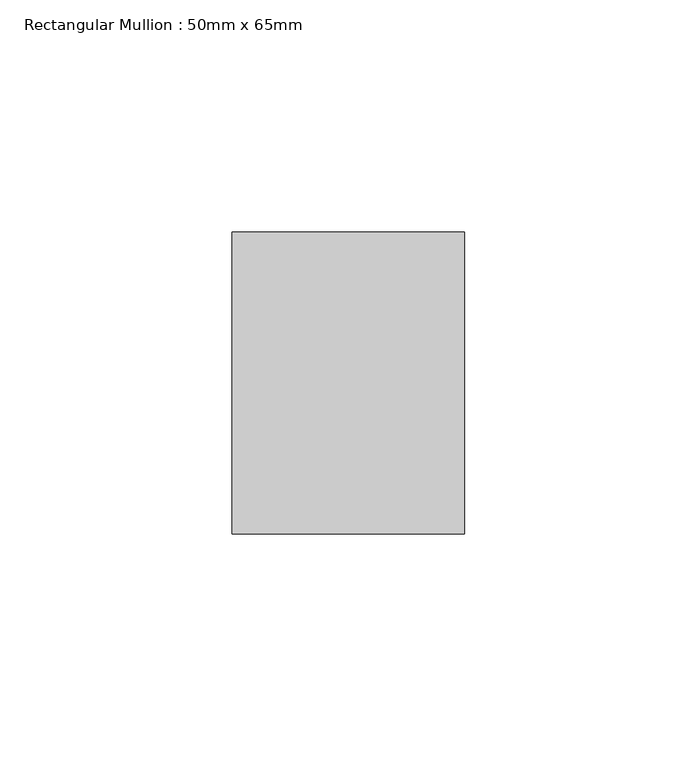
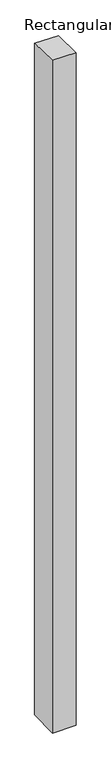
"""IFC4 building model written with IfcOpenShell, lengths in millimetres: member geometry, Rectangular Mullion : 50mm x 65mm."""

from ifc_helpers import new_model, si_unit, origin, place, context, project, spatial, faceted_brep, source, transform, mapped, element, save


def rectangular_mullion_50mm_x_65mm_efaa08f4(model_context):
    return source(origin(), model_context, "Body", "Brep", [
        faceted_brep([(-25.0, 32.5, -0.712706), (25.0, 32.5, -0.71271), (25.0, 32.5, -1499.1019655), (-25.0, 32.5, -1499.1019706), (-25.0, -32.5, 0.71271), (-25.0, -32.5, -1500.8978979), (25.0, -32.5, 0.712706), (25.0, -32.5, -1500.8978928)], [[[0, 1, 2, 3]], [[4, 0, 3, 5]], [[6, 4, 5, 7]], [[1, 6, 7, 2]], [[1, 0, 4, 6]], [[2, 7, 5, 3]]]),
    ])


if __name__ == "__main__":
    model = new_model("IFC4")
    model_context = context("Model", 3, world=origin())
    ifc_project = project(units=[si_unit("LENGTHUNIT", "METRE", prefix="MILLI")], contexts=[model_context])
    site = spatial("IfcSite", under=ifc_project)
    building = spatial("IfcBuilding", under=site)
    placement = place(None, origin())
    rectangular_mullion_50mm_x_65mm_shape = rectangular_mullion_50mm_x_65mm_efaa08f4(model_context)
    element("IfcMember", 1, ObjectType="Rectangular Mullion : 50mm x 65mm", at=placement, inside=building, context=model_context, shape_type="MappedRepresentation", body=[
        mapped(rectangular_mullion_50mm_x_65mm_shape, transform((0.0, 0.0, 0.0), x_axis=(1.0, 0.0, 0.0), y_axis=(0.0, 1.0, 0.0), z_axis=(0.0, 0.0, 1.0))),
    ])
    save(model, "model.ifc")
